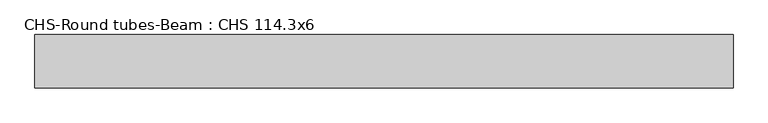
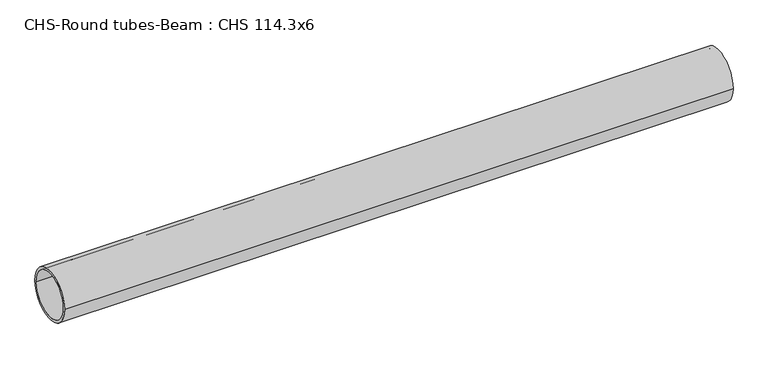
"""IFC4 building model written with IfcOpenShell, lengths in millimetres: beam geometry, CHS-Round tubes-Beam : CHS 114.3x6."""

from ifc_helpers import new_model, si_unit, point, frame, origin, origin_2d, place, context, project, spatial, circle_curve, trimmed, segment, composite_curve, outline, extrude, source, transform, mapped, element, save


def chs_round_tubes_beam_chs_114_3x6_298b42cb(model_context):
    return source(origin(), model_context, "Body", "SweptSolid", [
        extrude(outline(composite_curve([segment(trimmed(circle_curve(origin_2d(), 57.15), [point((57.15, 0.0))], [point((-57.15, 0.0))], False, "CARTESIAN"), True, "CONTINUOUS"), segment(trimmed(circle_curve(origin_2d(), 57.15), [point((-57.15, 0.0))], [point((57.15, 0.0))], False, "CARTESIAN"), True, "CONTINUOUS")], self_intersect=False), holes=[composite_curve([segment(trimmed(circle_curve(origin_2d(), 51.15), [point((51.15, 0.0))], [point((-51.15, 0.0))], True, "CARTESIAN"), True, "CONTINUOUS"), segment(trimmed(circle_curve(origin_2d(), 51.15), [point((-51.15, 0.0))], [point((51.15, 0.0))], True, "CARTESIAN"), True, "CONTINUOUS")], self_intersect=False)]), frame((-759.5264409, 0.0, 0.0), z_axis=(1.0, 0.0, 0.0), x_axis=(0.0, 1.0, 0.0)), (0.0, 0.0, 1.0), 1490.7008636),
    ])


if __name__ == "__main__":
    model = new_model("IFC4")
    model_context = context("Model", 3, world=origin())
    ifc_project = project(units=[si_unit("LENGTHUNIT", "METRE", prefix="MILLI")], contexts=[model_context])
    site = spatial("IfcSite", under=ifc_project)
    building = spatial("IfcBuilding", under=site)
    placement = place(None, origin())
    chs_round_tubes_beam_chs_114_3x6_shape = chs_round_tubes_beam_chs_114_3x6_298b42cb(model_context)
    element("IfcBeam", 1, ObjectType="CHS-Round tubes-Beam : CHS 114.3x6", at=placement, inside=building, context=model_context, shape_type="MappedRepresentation", body=[
        mapped(chs_round_tubes_beam_chs_114_3x6_shape, transform((0.0, 0.0, 0.0), x_axis=(1.0, 0.0, 0.0), y_axis=(0.0, 1.0, 0.0), z_axis=(0.0, 0.0, 1.0))),
    ])
    save(model, "model.ifc")
